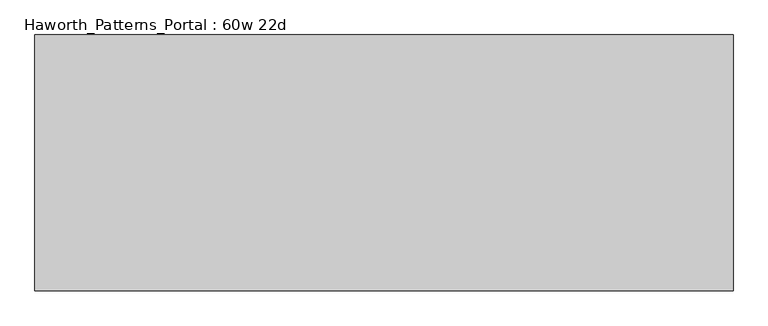
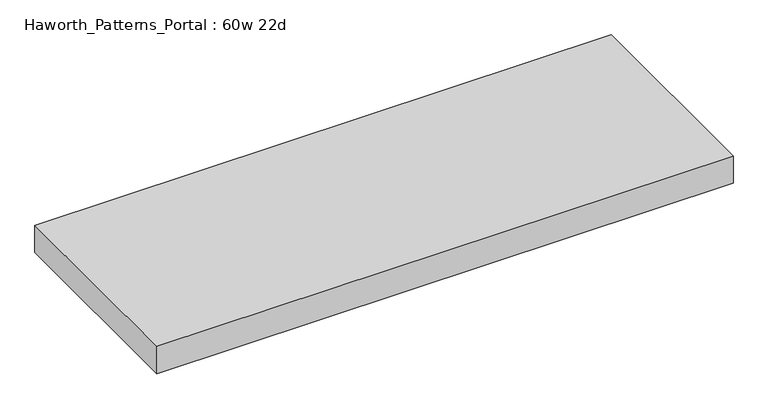
"""IFC4 building model written with IfcOpenShell, lengths in millimetres: furniture geometry, Haworth_Patterns_Portal : 60w 22d."""

from ifc_helpers import new_model, si_unit, frame, origin, place, context, project, spatial, polyline, outline, extrude, source, transform, mapped, element, save


def haworth_patterns_portal_60w_22d_1ddcfc26(model_context):
    return source(origin(), model_context, "Body", "SweptSolid", [
        extrude(outline(polyline([(762.0, 279.4), (762.0, -279.4), (-762.0, -279.4), (-762.0, 279.4), (762.0, 279.4)])), frame((0.0, 0.0, 2349.5), z_axis=(0.0, 0.0, 1.0), x_axis=(1.0, 0.0, 0.0)), (0.0, 0.0, 1.0), 76.2),
    ])


if __name__ == "__main__":
    model = new_model("IFC4")
    model_context = context("Model", 3, world=origin())
    ifc_project = project(units=[si_unit("LENGTHUNIT", "METRE", prefix="MILLI")], contexts=[model_context])
    site = spatial("IfcSite", under=ifc_project)
    building = spatial("IfcBuilding", under=site)
    placement = place(None, origin())
    haworth_patterns_portal_60w_22d_shape = haworth_patterns_portal_60w_22d_1ddcfc26(model_context)
    element("IfcFurniture", 1, ObjectType="Haworth_Patterns_Portal : 60w 22d", at=placement, inside=building, context=model_context, shape_type="MappedRepresentation", body=[
        mapped(haworth_patterns_portal_60w_22d_shape, transform((0.0, 0.0, 0.0), x_axis=(1.0, 0.0, 0.0), y_axis=(0.0, 1.0, 0.0), z_axis=(0.0, 0.0, 1.0))),
    ])
    save(model, "model.ifc")
